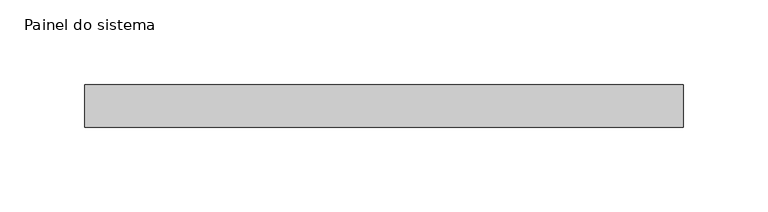
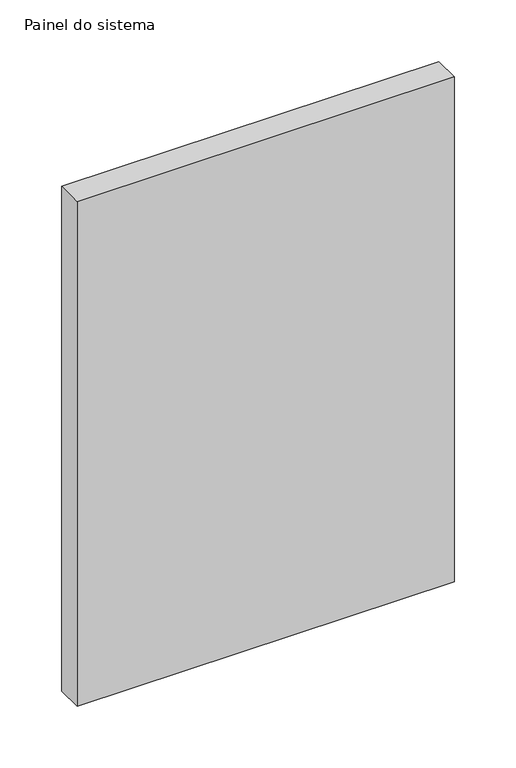
"""IFC4 building model written with IfcOpenShell, lengths in millimetres: plate geometry, Painel do sistema."""

from ifc_helpers import new_model, si_unit, origin, origin_with_axes, place, context, project, spatial, polyline, outline, extrude, source, transform, mapped, element, save


def painel_do_sistema_0ba8cd98(model_context):
    return source(origin(), model_context, "Body", "SweptSolid", [
        extrude(outline(polyline([(176.7028749, 24.5), (-176.7028749, 24.5), (-176.7028749, 49.5), (176.7028749, 49.5), (176.7028749, 24.5)])), origin_with_axes(), (0.0, 0.0, 1.0), 500.0),
    ])


if __name__ == "__main__":
    model = new_model("IFC4")
    model_context = context("Model", 3, world=origin())
    ifc_project = project(units=[si_unit("LENGTHUNIT", "METRE", prefix="MILLI")], contexts=[model_context])
    site = spatial("IfcSite", under=ifc_project)
    building = spatial("IfcBuilding", under=site)
    placement = place(None, origin())
    painel_do_sistema_shape = painel_do_sistema_0ba8cd98(model_context)
    element("IfcPlate", 1, ObjectType="Painel do sistema", at=placement, inside=building, context=model_context, shape_type="MappedRepresentation", body=[
        mapped(painel_do_sistema_shape, transform((0.0, 0.0, 0.0), x_axis=(1.0, 0.0, 0.0), y_axis=(0.0, 1.0, 0.0), z_axis=(0.0, 0.0, 1.0))),
    ])
    save(model, "model.ifc")
